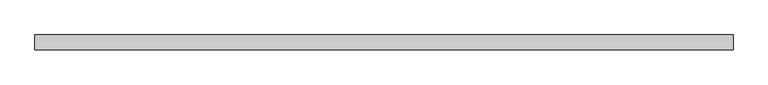
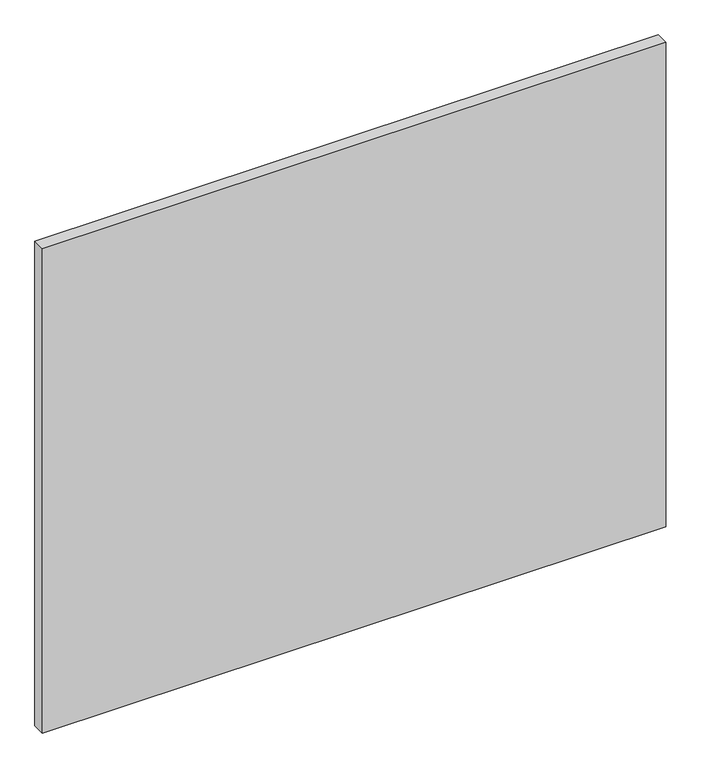
"""IFC4 building model written with IfcOpenShell, lengths in millimetres: plate geometry."""

from ifc_helpers import new_model, si_unit, origin, origin_with_axes, place, context, project, spatial, polyline, outline, extrude, source, transform, mapped, element, save


def plate_6195206a(model_context):
    return source(origin(), model_context, "Body", "SweptSolid", [
        extrude(outline(polyline([(593.6383936, 24.5), (-593.6383936, 24.5), (-593.6383936, 49.5), (593.6383936, 49.5), (593.6383936, 24.5)])), origin_with_axes(), (0.0, 0.0, 1.0), 975.0),
    ])


if __name__ == "__main__":
    model = new_model("IFC4")
    model_context = context("Model", 3, world=origin())
    ifc_project = project(units=[si_unit("LENGTHUNIT", "METRE", prefix="MILLI")], contexts=[model_context])
    site = spatial("IfcSite", under=ifc_project)
    building = spatial("IfcBuilding", under=site)
    placement = place(None, origin())
    plate_shape = plate_6195206a(model_context)
    element("IfcPlate", 1, at=placement, inside=building, context=model_context, shape_type="MappedRepresentation", body=[
        mapped(plate_shape, transform((0.0, 0.0, 0.0), x_axis=(1.0, 0.0, 0.0), y_axis=(0.0, 1.0, 0.0), z_axis=(0.0, 0.0, 1.0))),
    ])
    save(model, "model.ifc")
